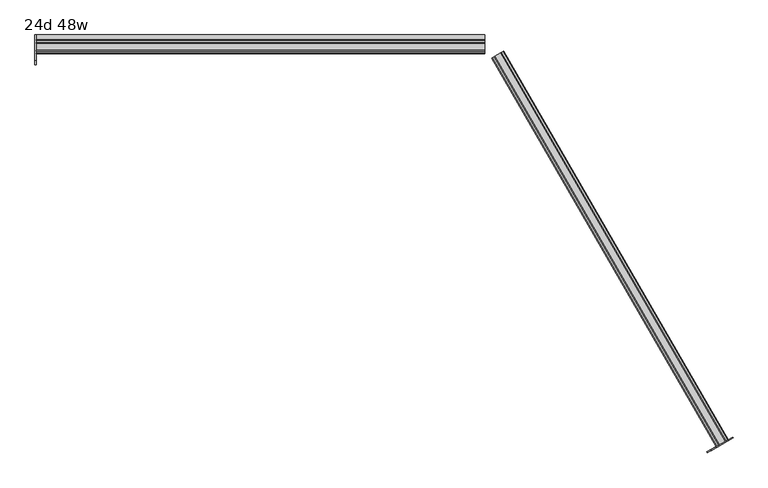
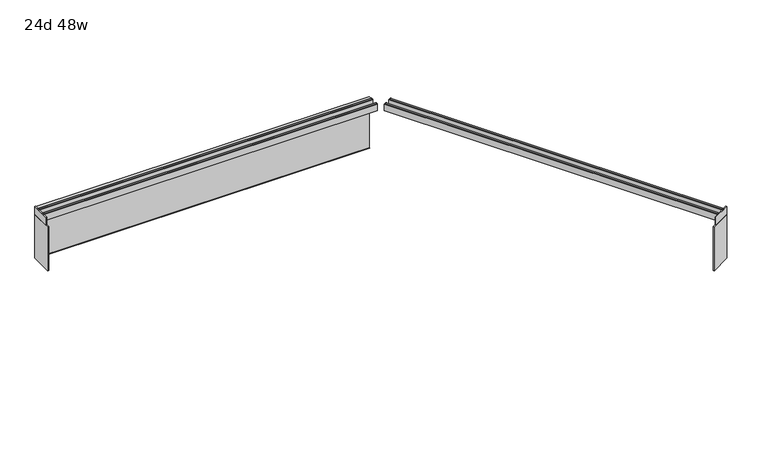
"""IFC4 building model written with IfcOpenShell, lengths in millimetres: furniture geometry, 24d 48w."""

from ifc_helpers import new_model, si_unit, frame, origin, place, context, project, spatial, polyline, outline, extrude, source, transform, mapped, element, save


def furniture_24d_48w_ab0d873c(model_context):
    return source(origin(), model_context, "Body", "SweptSolid", [
        extrude(outline(polyline([(-359.1397539, 542.478661), (-363.5439909, 542.478661), (-363.5439909, 543.272411), (-359.9335039, 543.272411), (-359.9335039, 738.7080593), (-371.8079002, 738.7080593), (-371.8079002, 729.9768093), (-372.6016502, 729.9768093), (-372.6016502, 739.5018093), (-359.1397539, 739.5018093), (-359.1397539, 542.478661)])), frame((2698.445945, 0.0, 0.0), z_axis=(1.0, 0.0, 0.0), x_axis=(0.0, 1.0, 0.0)), (0.0, 0.0, 1.0), 1212.85),
        extrude(outline(polyline([(0.0, 0.0), (0.0, -25.4), (-1.5875, -25.4), (-1.5875, -4.7625), (-7.9375, -4.7625), (-7.9375, -25.4), (-9.525, -25.4), (-9.525, -1.5875), (-28.575, -1.5875), (-28.575, -25.4), (-30.1625, -25.4), (-30.1625, -4.7625), (-36.5125, -4.7625), (-36.5125, -25.4), (-38.1, -25.4), (-38.1, 0.0), (0.0, 0.0)])), frame((4569.9145738, -1453.0945668, 715.9625), z_axis=(-0.4999999999999958, 0.8660254037844412, 0.0), x_axis=(0.8660254037844412, 0.4999999999999958, 0.0)), (0.0, 0.0, 1.0), 1212.85),
        extrude(outline(polyline([(-410.7016502, 715.9625), (-410.7016502, 741.3625), (-409.1141502, 741.3625), (-409.1141502, 720.725), (-402.7641502, 720.725), (-402.7641502, 741.3625), (-401.1766502, 741.3625), (-401.1766502, 717.55), (-382.1266502, 717.55), (-382.1266502, 741.3625), (-380.5391502, 741.3625), (-380.5391502, 720.725), (-374.1891502, 720.725), (-374.1891502, 741.3625), (-372.6016502, 741.3625), (-372.6016502, 715.9625), (-410.7016502, 715.9625)])), frame((2698.445945, 0.0, 0.0), z_axis=(1.0, 0.0, 0.0), x_axis=(0.0, 1.0, 0.0)), (0.0, 0.0, 1.0), 1212.85),
        extrude(outline(polyline([(4583.0338425, -1448.8303067), (4523.9167833, -1482.9615567), (4522.483445, -1480.4789418), (4581.6005041, -1446.3476918), (4583.0338425, -1448.8303067)])), frame((0.0, 0.0, 711.2), z_axis=(0.0, 0.0, 1.0), x_axis=(1.0, 0.0, 0.0)), (0.0, 0.0, 1.0), 30.1625),
        extrude(outline(polyline([(4583.0338425, -1448.8303067), (4513.6056684, -1488.9146817), (4512.17233, -1486.4320668), (4581.6005041, -1446.3476918), (4583.0338425, -1448.8303067)])), frame((0.0, 0.0, 542.528125), z_axis=(0.0, 0.0, 1.0), x_axis=(1.0, 0.0, 0.0)), (0.0, 0.0, 1.0), 168.671875),
        extrude(outline(polyline([(2695.270945, -427.3704002), (2695.270945, -359.1079002), (2698.445945, -359.1079002), (2698.445945, -427.3704002), (2695.270945, -427.3704002)])), frame((0.0, 0.0, 711.2), z_axis=(0.0, 0.0, 1.0), x_axis=(1.0, 0.0, 0.0)), (0.0, 0.0, 1.0), 30.1625),
        extrude(outline(polyline([(2695.270945, -439.2766502), (2695.270945, -359.1079002), (2698.445945, -359.1079002), (2698.445945, -439.2766502), (2695.270945, -439.2766502)])), frame((0.0, 0.0, 542.528125), z_axis=(0.0, 0.0, 1.0), x_axis=(1.0, 0.0, 0.0)), (0.0, 0.0, 1.0), 168.671875),
    ])


if __name__ == "__main__":
    model = new_model("IFC4")
    model_context = context("Model", 3, world=origin())
    ifc_project = project(units=[si_unit("LENGTHUNIT", "METRE", prefix="MILLI")], contexts=[model_context])
    site = spatial("IfcSite", under=ifc_project)
    building = spatial("IfcBuilding", under=site)
    placement = place(None, origin())
    furniture_24d_48w_shape = furniture_24d_48w_ab0d873c(model_context)
    element("IfcFurniture", 1, ObjectType="24d 48w", at=placement, inside=building, context=model_context, shape_type="MappedRepresentation", body=[
        mapped(furniture_24d_48w_shape, transform((0.0, 0.0, 0.0), x_axis=(1.0, 0.0, 0.0), y_axis=(0.0, 1.0, 0.0), z_axis=(0.0, 0.0, 1.0))),
    ])
    save(model, "model.ifc")
